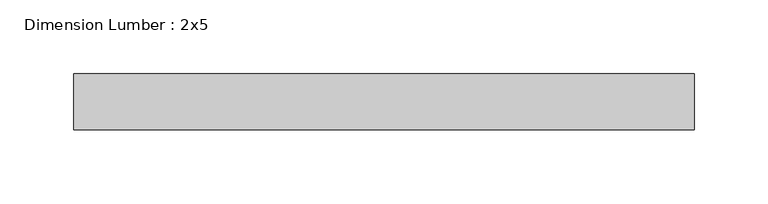
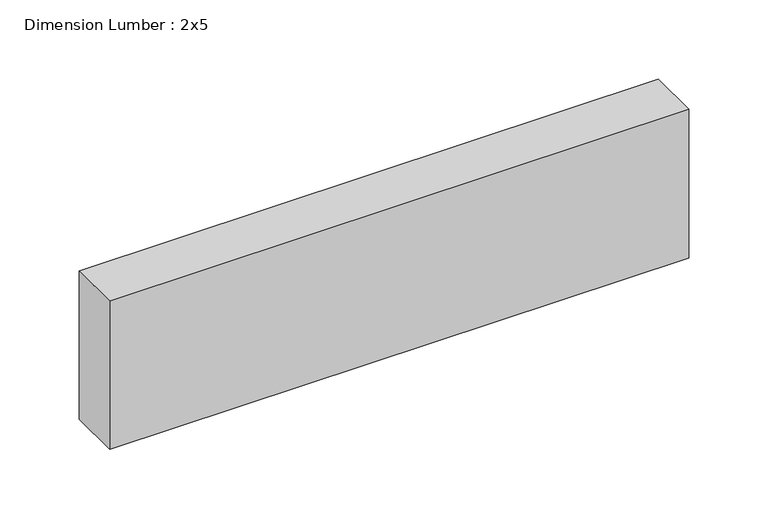
"""IFC4 building model written with IfcOpenShell, lengths in millimetres: beam geometry, Dimension Lumber : 2x5."""

from ifc_helpers import new_model, si_unit, frame, origin, place, context, project, spatial, polyline, outline, extrude, source, transform, mapped, element, save


def dimension_lumber_2x5_3d1e94b7(model_context):
    return source(origin(), model_context, "Body", "SweptSolid", [
        extrude(outline(polyline([(213.0073946, 19.05), (213.0073946, -19.05), (-207.9554256, -19.05), (-207.9554256, 19.05), (213.0073946, 19.05)])), frame((0.0, 0.0, -57.15), z_axis=(0.0, 0.0, 1.0), x_axis=(1.0, 0.0, 0.0)), (0.0, 0.0, 1.0), 114.3),
    ])


if __name__ == "__main__":
    model = new_model("IFC4")
    model_context = context("Model", 3, world=origin())
    ifc_project = project(units=[si_unit("LENGTHUNIT", "METRE", prefix="MILLI")], contexts=[model_context])
    site = spatial("IfcSite", under=ifc_project)
    building = spatial("IfcBuilding", under=site)
    placement = place(None, origin())
    dimension_lumber_2x5_shape = dimension_lumber_2x5_3d1e94b7(model_context)
    element("IfcBeam", 1, ObjectType="Dimension Lumber : 2x5", at=placement, inside=building, context=model_context, shape_type="MappedRepresentation", body=[
        mapped(dimension_lumber_2x5_shape, transform((0.0, 0.0, 0.0), x_axis=(1.0, 0.0, 0.0), y_axis=(0.0, 1.0, 0.0), z_axis=(0.0, 0.0, 1.0))),
    ])
    save(model, "model.ifc")
